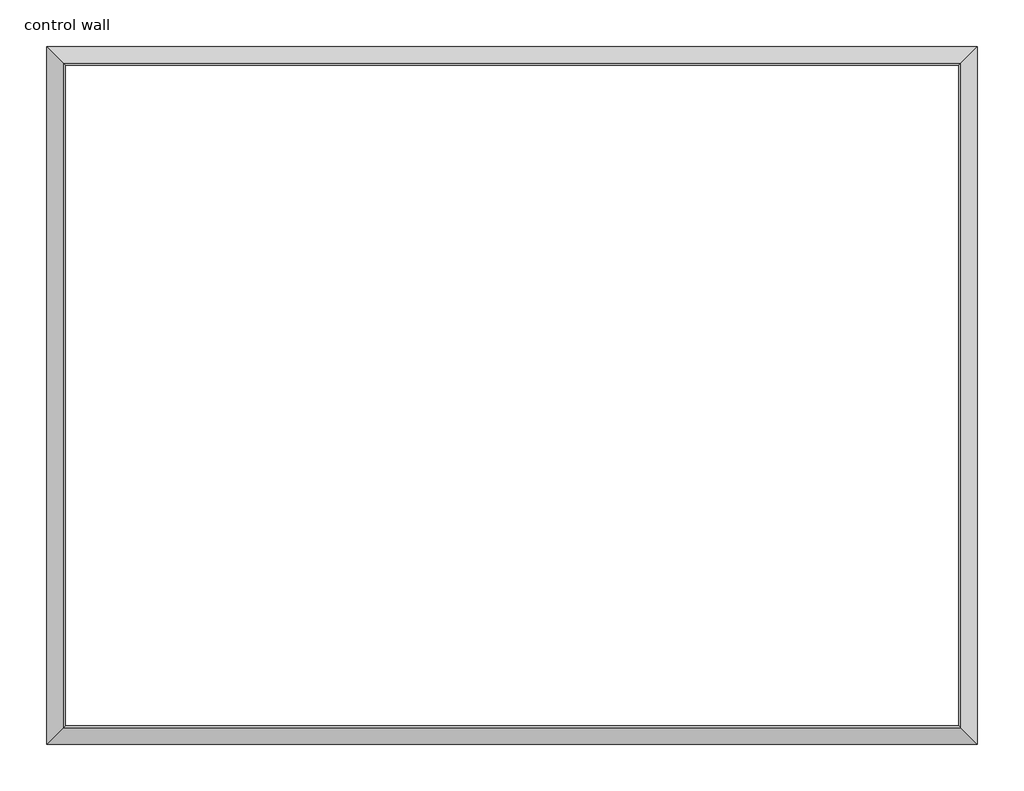
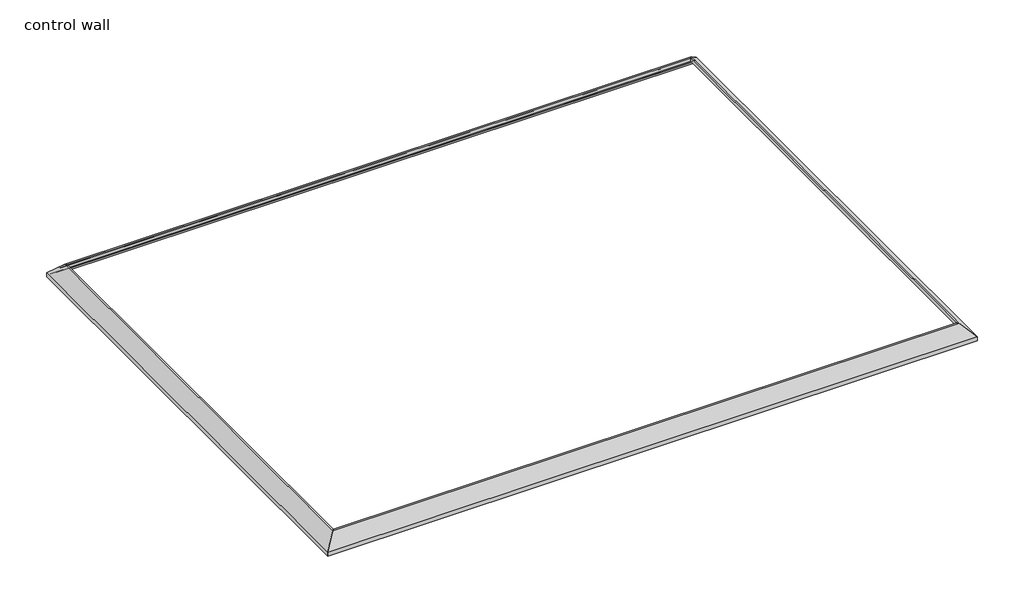
# One storey: 4 proxies.
"""IFC4 building model written with IfcOpenShell, lengths in millimetres."""

import ifcopenshell
import ifcopenshell.guid

model = None  # the IFC model being written
_history = None  # IfcOwnerHistory: only IFC2X3 demands one
_inside = {}  # id of a spatial element -> (the spatial element, [elements in it])
_under = {}  # id of a project, library or spatial element -> (it, [spatial elements below it])
_declared = {}  # id of a project -> (the project, [libraries it declares])
_typed = {}  # id of a type object -> (the type object, [elements of that type])
_made_of = {}  # id of a material, layer set ... -> (it, [elements and type objects made of it])


def new_model(schema):
    """Start an empty IFC model of exactly this schema.

    Asked for "IFC4X3", IfcOpenShell would pick the latest addendum, in which some entities
    have other attributes; the version numbers below select the first issue.
    IFC2X3 requires an IfcOwnerHistory on every rooted entity: one is made here for all.
    """
    global model, _history
    if schema == "IFC4X3":
        model = ifcopenshell.file(schema_version=(4, 3, 0, 0))
    else:
        model = ifcopenshell.file(schema=schema)
    _inside.clear()
    _under.clear()
    _declared.clear()
    _typed.clear()
    _made_of.clear()
    _history = None
    if model.schema == "IFC2X3":
        org = make("IfcOrganization", Name="unknown")
        user = make(
            "IfcPersonAndOrganization",
            ThePerson=make("IfcPerson", FamilyName="unknown"),
            TheOrganization=org,
        )
        app = make(
            "IfcApplication",
            ApplicationDeveloper=org,
            Version="unknown",
            ApplicationFullName="unknown",
            ApplicationIdentifier="unknown",
        )
        _history = make(
            "IfcOwnerHistory",
            OwningUser=user,
            OwningApplication=app,
            ChangeAction="ADDED",
            CreationDate=0,
        )
    return model


def make(cls, **values):
    """One entity of the class cls with the attributes given. An attribute that is None is left unset."""
    return model.create_entity(
        cls, **{name: value for name, value in values.items() if value is not None}
    )


def rooted(cls, **values):
    """An entity with a GlobalId (a new one), such as an element, a storey or a relation."""
    return make(cls, GlobalId=ifcopenshell.guid.new(), OwnerHistory=_history, **values)


def si_unit(unit_type, name, prefix=None):
    """IfcSIUnit, for example si_unit("LENGTHUNIT", "METRE", prefix="MILLI")."""
    return make("IfcSIUnit", UnitType=unit_type, Prefix=prefix, Name=name)


def assignment(units):
    """IfcUnitAssignment: the units of a project."""
    return None if units is None else make("IfcUnitAssignment", Units=units)


def point(xyz):
    """IfcCartesianPoint."""
    return None if xyz is None else make("IfcCartesianPoint", Coordinates=xyz)


def direction(xyz):
    """IfcDirection."""
    return None if xyz is None else make("IfcDirection", DirectionRatios=xyz)


def frame(location, z_axis=None, x_axis=None):
    """IfcAxis2Placement3D, a coordinate frame: its origin and axes. An axis left out is left unset."""
    return make(
        "IfcAxis2Placement3D",
        Location=point(location),
        Axis=direction(z_axis),
        RefDirection=direction(x_axis),
    )


def origin():
    """The frame at (0, 0, 0) with its axes left unset."""
    return frame((0.0, 0.0, 0.0))


def place(relative_to, where):
    """IfcLocalPlacement: puts the frame where relative to a parent placement (None: the world)."""
    return make(
        "IfcLocalPlacement", PlacementRelTo=relative_to, RelativePlacement=where
    )


def context(
    kind, dimensions, precision=None, world=None, true_north=None, identifier=None
):
    """IfcGeometricRepresentationContext, for example the 3D "Model" context."""
    return make(
        "IfcGeometricRepresentationContext",
        ContextIdentifier=identifier,
        ContextType=kind,
        CoordinateSpaceDimension=dimensions,
        Precision=precision,
        WorldCoordinateSystem=world,
        TrueNorth=true_north,
    )


def project(units=None, contexts=None):
    """IfcProject with its units and contexts."""
    return rooted(
        "IfcProject",
        Name="project",
        RepresentationContexts=contexts,
        UnitsInContext=assignment(units),
    )


def spatial(cls, under=None, at=None, **own):
    """A site, building, storey or space (cls), placed at a placement, below another one or the project."""
    s = rooted(cls, ObjectPlacement=at, **own)
    if under is not None:
        _under.setdefault(under.id(), (under, []))[1].append(s)
    return s


def polyline(points):
    """IfcPolyline through the points."""
    return make("IfcPolyline", Points=[point(p) for p in points])


def ellipse_curve(where, semi_axis1, semi_axis2):
    """IfcEllipse in the frame where."""
    return make(
        "IfcEllipse", Position=where, SemiAxis1=semi_axis1, SemiAxis2=semi_axis2
    )


def shape(context_of_items, identifier, shape_type, items):
    """IfcShapeRepresentation: the items that make up one representation, for example the "Body"."""
    return make(
        "IfcShapeRepresentation",
        ContextOfItems=context_of_items,
        RepresentationIdentifier=identifier,
        RepresentationType=shape_type,
        Items=items,
    )


def made_of(thing, what):
    """Note that an element or type object is made of a material, layer set ...; save() writes the relation."""
    if what is not None:
        _made_of.setdefault(what.id(), (what, []))[1].append(thing)
    return thing


def element(
    cls,
    number,
    at=None,
    inside=None,
    cuts=None,
    type_object=None,
    material=None,
    context=None,
    identifier="Body",
    shape_type=None,
    held_by="IfcProductDefinitionShape",
    body=None,
    shapes=None,
    **own,
):
    """One element of the class cls, such as IfcWall. Its Tag is "e" and its number.

    at: its placement. inside: the storey or other place that contains it. cuts: it is an
    opening in that element (IfcRelVoidsElement). A single representation is given by context,
    identifier, shape_type and body (its items); several are given by shapes. held_by: the class
    of the entity that holds the representations. save() writes the other relations.
    """
    e = rooted(cls, Tag="e%d" % number, ObjectPlacement=at, **own)
    if body is not None:
        shapes = [shape(context, identifier, shape_type, body)]
    if shapes is not None:
        e.Representation = make(held_by, Representations=shapes)
    if inside is not None:
        _inside.setdefault(inside.id(), (inside, []))[1].append(e)
    if cuts is not None:
        rooted(
            "IfcRelVoidsElement", RelatingBuildingElement=cuts, RelatedOpeningElement=e
        )
    if type_object is not None:
        _typed.setdefault(type_object.id(), (type_object, []))[1].append(e)
    return made_of(e, material)


def aggregate(whole, parts):
    """IfcRelAggregates: a whole, such as a stair, and the parts it consists of."""
    return rooted("IfcRelAggregates", RelatingObject=whole, RelatedObjects=parts)


def save(model, path):
    """Write the relations noted so far, then the file.

    IfcRelAggregates (storeys below a building ...), IfcRelContainedInSpatialStructure (elements
    in a storey), IfcRelDefinesByType, IfcRelAssociatesMaterial and IfcRelDeclares: one each for
    every whole, place, type object, material and project.
    """
    for whole, parts in _under.values():
        aggregate(whole, parts)
    for where, things in _inside.values():
        rooted(
            "IfcRelContainedInSpatialStructure",
            RelatedElements=things,
            RelatingStructure=where,
        )
    for kind, things in _typed.values():
        rooted("IfcRelDefinesByType", RelatedObjects=things, RelatingType=kind)
    for what, things in _made_of.values():
        rooted("IfcRelAssociatesMaterial", RelatedObjects=things, RelatingMaterial=what)
    for by, libraries in _declared.values():
        rooted("IfcRelDeclares", RelatingContext=by, RelatedDefinitions=libraries)
    model.write(path)


def plane_surface(at):
    """IfcPlane: the flat surface through the origin of the frame at, square to its z axis."""
    return make("IfcPlane", Position=at)


def cylinder_surface(at, radius):
    """IfcCylindricalSurface: all points at the distance radius from the z axis of the frame at."""
    return make("IfcCylindricalSurface", Position=at, Radius=radius)


def revolved_surface(curve, axis_point, axis_direction):
    """IfcSurfaceOfRevolution: the curve turned about the line through axis_point along axis_direction."""
    return make(
        "IfcSurfaceOfRevolution",
        SweptCurve=make("IfcArbitraryOpenProfileDef", ProfileType="CURVE", Curve=curve),
        AxisPosition=make("IfcAxis1Placement", Location=point(axis_point), Axis=direction(axis_direction)),
    )


def advanced_brep(points, edges, surfaces, faces):
    """IfcAdvancedBrep: a solid bounded by faces that lie on surfaces and meet in shared edges.

    An edge is (start, end): straight between two places in points (the first is 0);
    or (start, end, curve); or (start, end, curve, False) where it runs against its curve.
    A face is (place in surfaces, loops), or (place, loops, False) where it looks against
    its surface's normal. A loop lists edges by number (the first is 1), with a minus sign
    where the edge is run from its end to its start. The first loop is the outer one.
    """
    corners = [point(p) for p in points]
    vertices = [make("IfcVertexPoint", VertexGeometry=c) for c in corners]
    made = []
    for start, end, *more in edges:
        made.append(
            make(
                "IfcEdgeCurve",
                EdgeStart=vertices[start],
                EdgeEnd=vertices[end],
                EdgeGeometry=more[0] if more else make("IfcPolyline", Points=[corners[start], corners[end]]),
                SameSense=more[1] if len(more) > 1 else True,
            )
        )
    hull = []
    for where, loops, *sense in faces:
        bounds = []
        for j, loop in enumerate(loops):
            ring = [make("IfcOrientedEdge", EdgeElement=made[abs(k) - 1], Orientation=k > 0) for k in loop]
            bounds.append(
                make(
                    "IfcFaceOuterBound" if j == 0 else "IfcFaceBound",
                    Bound=make("IfcEdgeLoop", EdgeList=ring),
                    Orientation=True,
                )
            )
        hull.append(make("IfcAdvancedFace", Bounds=bounds, FaceSurface=surfaces[where], SameSense=sense[0] if sense else True))
    return make("IfcAdvancedBrep", Outer=make("IfcClosedShell", CfsFaces=hull))


model = new_model("IFC4")

# Units and contexts
model_context = context("Model", 3, world=origin())
ifc_project = project(units=[si_unit("LENGTHUNIT", "METRE", prefix="MILLI")], contexts=[model_context])

# Site, building, storey
site = spatial("IfcSite", under=ifc_project)
building = spatial("IfcBuilding", under=site)
storey = spatial("IfcBuildingStorey", under=building, Name="control wall", Elevation=2133.6)

# Proxies
placement = place(None, origin())
element("IfcBuildingElementProxy", 1, Name="Wall Sweeps", at=placement, inside=storey, context=model_context, shape_type="AdvancedBrep", body=[
    advanced_brep(
    [(30835.1284839, -21164.0946785, 2678.1793892), (30835.1284839, -21164.0946785, 2654.3), (30826.1482278, -21173.0749346, 2654.3), (30826.1482278, -21173.0749346, 2663.2802561), (30812.6778436, -21186.5453188, 2676.7506403), (30812.6778436, -21186.5453188, 2683.1006403), (30792.1531637, -21207.0699987, 2703.6253202), (30771.6284839, -21227.5946785, 2724.15), (30762.0051751, -21237.2179873, 2724.15), (30762.0051751, -21237.2179873, 2743.2), (30770.1078731, -21229.1152893, 2743.2), (30835.1284839, -23907.2946785, 2678.1793892), (30770.1078731, -23842.2740677, 2743.2), (30762.0051751, -23834.1713697, 2743.2), (30762.0051751, -23834.1713697, 2724.15), (30771.6284839, -23843.7946785, 2724.15), (30792.1531637, -23864.3193584, 2703.6253202), (30812.6778436, -23884.8440382, 2683.1006403), (30812.6778436, -23884.8440382, 2676.7506403), (30826.1482278, -23898.3144224, 2663.2802561), (30826.1482278, -23898.3144224, 2654.3), (30835.1284839, -23907.2946785, 2654.3)],
    [
        (0, 1),
        (1, 2),
        (2, 3),
        (3, 4, ellipse_curve(frame((30812.6778436, -21186.5453188, 2663.2802561), z_axis=(0.7071067811865476, -0.7071067811865476, 0.0), x_axis=(-0.7071067811865476, -0.7071067811865474, 0.0)), 19.05, 13.4703842)),
        (4, 5),
        (5, 6, ellipse_curve(frame((30812.6778436, -21186.5453188, 2703.6253202), z_axis=(-0.7071067811865476, 0.7071067811865476, 0.0), x_axis=(0.7071067811865476, 0.7071067811865474, 0.0)), 29.0262806, 20.5246798)),
        (6, 7, ellipse_curve(frame((30771.6284839, -21227.5946785, 2703.6253202), z_axis=(0.7071067811865476, -0.7071067811865476, 0.0), x_axis=(-0.7071067811865476, -0.7071067811865474, 0.0)), 29.0262806, 20.5246798)),
        (7, 8),
        (8, 9),
        (9, 10),
        (10, 0),
        (11, 12),
        (12, 13),
        (13, 14),
        (14, 15),
        (15, 16, ellipse_curve(frame((30771.6284839, -23843.7946785, 2703.6253202), z_axis=(0.7071067811865476, 0.7071067811865476, 0.0), x_axis=(0.7071067811865476, -0.7071067811865474, 0.0)), 29.0262806, 20.5246798)),
        (16, 17, ellipse_curve(frame((30812.6778436, -23884.8440382, 2703.6253202), z_axis=(-0.7071067811865476, -0.7071067811865476, 0.0), x_axis=(-0.7071067811865476, 0.7071067811865474, 0.0)), 29.0262806, 20.5246798)),
        (17, 18),
        (18, 19, ellipse_curve(frame((30812.6778436, -23884.8440382, 2663.2802561), z_axis=(0.7071067811865476, 0.7071067811865476, 0.0), x_axis=(0.7071067811865476, -0.7071067811865474, 0.0)), 19.05, 13.4703842)),
        (19, 20),
        (20, 21),
        (21, 11),
        (0, 11),
        (21, 1),
        (20, 2),
        (19, 3),
        (18, 4),
        (17, 5),
        (16, 6),
        (15, 7),
        (14, 8),
        (13, 9),
        (12, 10),
    ],
    [
        plane_surface(frame((30835.1284839, -21164.0946785, 2959.1), z_axis=(-0.7071067811865476, 0.7071067811865476, 0.0), x_axis=(-0.7071067811865476, -0.7071067811865476, 0.0))),
        plane_surface(frame((30835.1284839, -23907.2946785, 2959.1), z_axis=(-0.7071067811865476, -0.7071067811865476, 0.0), x_axis=(-0.7071067811865476, 0.7071067811865476, 0.0))),
        plane_surface(frame((30835.1284839, -21164.0946785, 2678.1793892), z_axis=(1.0, 0.0, 0.0), x_axis=(0.0, -1.0, 0.0))),
        plane_surface(frame((30835.1284839, -21164.0946785, 2654.3), z_axis=(0.0, 0.0, -1.0), x_axis=(0.0, -1.0, 0.0))),
        plane_surface(frame((30826.1482278, -21173.0749346, 2654.3), z_axis=(-1.0, 0.0, 0.0), x_axis=(0.0, -1.0, 0.0))),
        revolved_surface(polyline([(30799.207459399997, -23898.3144224, 2663.2802561), (30799.207459399997, -21173.0749346, 2663.2802561)]), (30812.6778436, -21164.0946785, 2663.2802561), (0.0, -1.0, 0.0)),
        plane_surface(frame((30812.6778436, -21186.5453188, 2676.7506403), z_axis=(-1.0, 0.0, 0.0), x_axis=(0.0, -1.0, 0.0))),
        cylinder_surface(frame((30812.6778436, -21164.0946785, 2703.6253202), z_axis=(0.0, 1.0, 0.0), x_axis=(-1.0, 0.0, 0.0)), 20.5246798),
        revolved_surface(polyline([(30751.1038041, -23864.3193584, 2703.6253202), (30751.1038041, -21207.06999865512, 2703.6253202)]), (30771.6284839, -21164.0946785, 2703.6253202), (0.0, -1.0, 0.0)),
        plane_surface(frame((30771.6284839, -21227.5946785, 2724.15), z_axis=(0.0, 0.0, -1.0), x_axis=(0.0, -1.0, 0.0))),
        plane_surface(frame((30762.0051751, -21237.2179873, 2724.15), z_axis=(-1.0, 0.0, 0.0), x_axis=(0.0, -1.0, 0.0))),
        plane_surface(frame((30762.0051751, -21237.2179873, 2743.2), z_axis=(0.0, 0.0, 1.0), x_axis=(0.0, -1.0, 0.0))),
        plane_surface(frame((30770.1078731, -21229.1152893, 2743.2), z_axis=(0.707106781186547, 0.0, 0.707106781186548), x_axis=(0.0, -1.0, 0.0))),
    ],
    [
        (0, [[1, 2, 3, 4, 5, 6, 7, 8, 9, 10, 11]]),
        (1, [[12, 13, 14, 15, 16, 17, 18, 19, 20, 21, 22]]),
        (2, [[-1, 23, -22, 24]]),
        (3, [[-2, -24, -21, 25]]),
        (4, [[-3, -25, -20, 26]]),
        (5, [[-4, -26, -19, 27]]),
        (6, [[-5, -27, -18, 28]]),
        (7, [[-6, -28, -17, 29]]),
        (8, [[-7, -29, -16, 30]]),
        (9, [[-8, -30, -15, 31]]),
        (10, [[-9, -31, -14, 32]]),
        (11, [[-10, -32, -13, 33]]),
        (12, [[-11, -33, -12, -23]]),
    ],
),
])
element("IfcBuildingElementProxy", 2, Name="Wall Sweeps", at=placement, inside=storey, context=model_context, shape_type="AdvancedBrep", body=[
    advanced_brep(
    [(27177.5284839, -21164.0946785, 2678.1793892), (27242.5490947, -21229.1152893, 2743.2), (27250.6517927, -21237.2179873, 2743.2), (27250.6517927, -21237.2179873, 2724.15), (27241.0284839, -21227.5946785, 2724.15), (27220.503804, -21207.0699987, 2703.6253202), (27199.9791242, -21186.5453188, 2683.1006403), (27199.9791242, -21186.5453188, 2676.7506403), (27186.50874, -21173.0749346, 2663.2802561), (27186.50874, -21173.0749346, 2654.3), (27177.5284839, -21164.0946785, 2654.3), (27177.5284839, -23907.2946785, 2678.1793892), (27177.5284839, -23907.2946785, 2654.3), (27186.50874, -23898.3144224, 2654.3), (27186.50874, -23898.3144224, 2663.2802561), (27199.9791242, -23884.8440382, 2676.7506403), (27199.9791242, -23884.8440382, 2683.1006403), (27220.503804, -23864.3193584, 2703.6253202), (27241.0284839, -23843.7946785, 2724.15), (27250.6517927, -23834.1713697, 2724.15), (27250.6517927, -23834.1713697, 2743.2), (27242.5490947, -23842.2740677, 2743.2)],
    [
        (0, 1),
        (1, 2),
        (2, 3),
        (3, 4),
        (4, 5, ellipse_curve(frame((27241.0284839, -21227.5946785, 2703.6253202), z_axis=(-0.7071067811865476, -0.7071067811865476, 0.0), x_axis=(0.7071067811865476, -0.7071067811865474, 0.0)), 29.0262806, 20.5246798)),
        (5, 6, ellipse_curve(frame((27199.9791242, -21186.5453188, 2703.6253202), z_axis=(0.7071067811865476, 0.7071067811865476, 0.0), x_axis=(-0.7071067811865476, 0.7071067811865474, 0.0)), 29.0262806, 20.5246798)),
        (6, 7),
        (7, 8, ellipse_curve(frame((27199.9791242, -21186.5453188, 2663.2802561), z_axis=(-0.7071067811865476, -0.7071067811865476, 0.0), x_axis=(0.7071067811865476, -0.7071067811865474, 0.0)), 19.05, 13.4703842)),
        (8, 9),
        (9, 10),
        (10, 0),
        (11, 12),
        (12, 13),
        (13, 14),
        (14, 15, ellipse_curve(frame((27199.9791242, -23884.8440382, 2663.2802561), z_axis=(-0.7071067811865476, 0.7071067811865476, 0.0), x_axis=(-0.7071067811865476, -0.7071067811865474, 0.0)), 19.05, 13.4703842)),
        (15, 16),
        (16, 17, ellipse_curve(frame((27199.9791242, -23884.8440382, 2703.6253202), z_axis=(0.7071067811865476, -0.7071067811865476, 0.0), x_axis=(0.7071067811865476, 0.7071067811865474, 0.0)), 29.0262806, 20.5246798)),
        (17, 18, ellipse_curve(frame((27241.0284839, -23843.7946785, 2703.6253202), z_axis=(-0.7071067811865476, 0.7071067811865476, 0.0), x_axis=(-0.7071067811865476, -0.7071067811865474, 0.0)), 29.0262806, 20.5246798)),
        (18, 19),
        (19, 20),
        (20, 21),
        (21, 11),
        (10, 12),
        (11, 0),
        (9, 13),
        (8, 14),
        (7, 15),
        (6, 16),
        (5, 17),
        (4, 18),
        (3, 19),
        (2, 20),
        (1, 21),
    ],
    [
        plane_surface(frame((27177.5284839, -21164.0946785, 2349.5), z_axis=(0.7071067811865476, 0.7071067811865476, 0.0), x_axis=(0.7071067811865476, -0.7071067811865476, 0.0))),
        plane_surface(frame((27177.5284839, -23907.2946785, 2349.5), z_axis=(0.7071067811865476, -0.7071067811865476, 0.0), x_axis=(0.7071067811865476, 0.7071067811865476, 0.0))),
        plane_surface(frame((27177.5284839, -21164.0946785, 2654.3), z_axis=(-1.0, 0.0, 0.0), x_axis=(0.0, -1.0, 0.0))),
        plane_surface(frame((27186.50874, -21173.0749346, 2654.3), z_axis=(0.0, 0.0, -1.0), x_axis=(0.0, -1.0, 0.0))),
        plane_surface(frame((27186.50874, -21173.0749346, 2663.2802561), z_axis=(1.0, 0.0, 0.0), x_axis=(0.0, -1.0, 0.0))),
        revolved_surface(polyline([(27213.4495084, -23898.3144224, 2663.2802561), (27213.4495084, -21173.0749346, 2663.2802561)]), (27199.9791242, -21164.0946785, 2663.2802561), (0.0, -1.0, 0.0)),
        plane_surface(frame((27199.9791242, -21186.5453188, 2683.1006403), z_axis=(1.0, 0.0, 0.0), x_axis=(0.0, -1.0, 0.0))),
        cylinder_surface(frame((27199.9791242, -21164.0946785, 2703.6253202), z_axis=(0.0, 1.0, 0.0), x_axis=(1.0, 0.0, 0.0)), 20.5246798),
        revolved_surface(polyline([(27261.553163700002, -23864.3193584, 2703.6253202), (27261.553163700002, -21207.06999865512, 2703.6253202)]), (27241.0284839, -21164.0946785, 2703.6253202), (0.0, -1.0, 0.0)),
        plane_surface(frame((27250.6517927, -21237.2179873, 2724.15), z_axis=(0.0, 0.0, -1.0), x_axis=(0.0, -1.0, 0.0))),
        plane_surface(frame((27250.6517927, -21237.2179873, 2743.2), z_axis=(1.0, 0.0, 0.0), x_axis=(0.0, -1.0, 0.0))),
        plane_surface(frame((27242.5490947, -21229.1152893, 2743.2), z_axis=(0.0, 0.0, 1.0), x_axis=(0.0, -1.0, 0.0))),
        plane_surface(frame((27177.5284839, -21164.0946785, 2678.1793892), z_axis=(-0.707106781186547, 0.0, 0.707106781186548), x_axis=(0.0, -1.0, 0.0))),
    ],
    [
        (0, [[1, 2, 3, 4, 5, 6, 7, 8, 9, 10, 11]]),
        (1, [[12, 13, 14, 15, 16, 17, 18, 19, 20, 21, 22]]),
        (2, [[-11, 23, -12, 24]]),
        (3, [[-10, 25, -13, -23]]),
        (4, [[-9, 26, -14, -25]]),
        (5, [[-8, 27, -15, -26]]),
        (6, [[-7, 28, -16, -27]]),
        (7, [[-6, 29, -17, -28]]),
        (8, [[-5, 30, -18, -29]]),
        (9, [[-4, 31, -19, -30]]),
        (10, [[-3, 32, -20, -31]]),
        (11, [[-2, 33, -21, -32]]),
        (12, [[-1, -24, -22, -33]]),
    ],
),
])
element("IfcBuildingElementProxy", 3, Name="Wall Sweeps", at=placement, inside=storey, context=model_context, shape_type="AdvancedBrep", body=[
    advanced_brep(
    [(27177.5284839, -21164.0946785, 2678.1793892), (27177.5284839, -21164.0946785, 2654.3), (27186.50874, -21173.0749346, 2654.3), (27186.50874, -21173.0749346, 2663.2802561), (27199.9791242, -21186.5453188, 2676.7506403), (27199.9791242, -21186.5453188, 2683.1006403), (27220.503804, -21207.0699987, 2703.6253202), (27241.0284839, -21227.5946785, 2724.15), (27250.6517927, -21237.2179873, 2724.15), (27250.6517927, -21237.2179873, 2743.2), (27242.5490947, -21229.1152893, 2743.2), (30835.1284839, -21164.0946785, 2678.1793892), (30770.1078731, -21229.1152893, 2743.2), (30762.0051751, -21237.2179873, 2743.2), (30762.0051751, -21237.2179873, 2724.15), (30771.6284839, -21227.5946785, 2724.15), (30792.1531637, -21207.0699987, 2703.6253202), (30812.6778436, -21186.5453188, 2683.1006403), (30812.6778436, -21186.5453188, 2676.7506403), (30826.1482278, -21173.0749346, 2663.2802561), (30826.1482278, -21173.0749346, 2654.3), (30835.1284839, -21164.0946785, 2654.3)],
    [
        (0, 1),
        (1, 2),
        (2, 3),
        (3, 4, ellipse_curve(frame((27199.9791242, -21186.5453188, 2663.2802561), z_axis=(0.7071067811865476, 0.7071067811865476, 0.0), x_axis=(0.7071067811865474, -0.7071067811865476, 0.0)), 19.05, 13.4703842)),
        (4, 5),
        (5, 6, ellipse_curve(frame((27199.9791242, -21186.5453188, 2703.6253202), z_axis=(-0.7071067811865476, -0.7071067811865476, 0.0), x_axis=(-0.7071067811865474, 0.7071067811865476, 0.0)), 29.0262806, 20.5246798)),
        (6, 7, ellipse_curve(frame((27241.0284839, -21227.5946785, 2703.6253202), z_axis=(0.7071067811865476, 0.7071067811865476, 0.0), x_axis=(0.7071067811865474, -0.7071067811865476, 0.0)), 29.0262806, 20.5246798)),
        (7, 8),
        (8, 9),
        (9, 10),
        (10, 0),
        (11, 12),
        (12, 13),
        (13, 14),
        (14, 15),
        (15, 16, ellipse_curve(frame((30771.6284839, -21227.5946785, 2703.6253202), z_axis=(-0.7071067811865476, 0.7071067811865476, 0.0), x_axis=(0.7071067811865474, 0.7071067811865476, 0.0)), 29.0262806, 20.5246798)),
        (16, 17, ellipse_curve(frame((30812.6778436, -21186.5453188, 2703.6253202), z_axis=(0.7071067811865476, -0.7071067811865476, 0.0), x_axis=(-0.7071067811865474, -0.7071067811865476, 0.0)), 29.0262806, 20.5246798)),
        (17, 18),
        (18, 19, ellipse_curve(frame((30812.6778436, -21186.5453188, 2663.2802561), z_axis=(-0.7071067811865476, 0.7071067811865476, 0.0), x_axis=(0.7071067811865474, 0.7071067811865476, 0.0)), 19.05, 13.4703842)),
        (19, 20),
        (20, 21),
        (21, 11),
        (0, 11),
        (21, 1),
        (20, 2),
        (19, 3),
        (18, 4),
        (17, 5),
        (16, 6),
        (15, 7),
        (14, 8),
        (13, 9),
        (12, 10),
    ],
    [
        plane_surface(frame((27177.5284839, -21164.0946785, 2959.1), z_axis=(-0.7071067811865476, -0.7071067811865476, 0.0), x_axis=(0.7071067811865476, -0.7071067811865476, 0.0))),
        plane_surface(frame((30835.1284839, -21164.0946785, 2959.1), z_axis=(0.7071067811865476, -0.7071067811865476, 0.0), x_axis=(-0.7071067811865476, -0.7071067811865476, 0.0))),
        plane_surface(frame((27177.5284839, -21164.0946785, 2678.1793892), z_axis=(0.0, 1.0, 0.0), x_axis=(1.0, 0.0, 0.0))),
        plane_surface(frame((27177.5284839, -21164.0946785, 2654.3), z_axis=(0.0, 0.0, -1.0), x_axis=(1.0, 0.0, 0.0))),
        plane_surface(frame((27186.50874, -21173.0749346, 2654.3), z_axis=(0.0, -1.0, 0.0), x_axis=(1.0, 0.0, 0.0))),
        revolved_surface(polyline([(30826.1482278, -21200.015703, 2663.2802561), (27186.50874, -21200.015703, 2663.2802561)]), (27177.5284839, -21186.5453188, 2663.2802561), (1.0, 0.0, 0.0)),
        plane_surface(frame((27199.9791242, -21186.5453188, 2676.7506403), z_axis=(0.0, -1.0, 0.0), x_axis=(1.0, 0.0, 0.0))),
        cylinder_surface(frame((27177.5284839, -21186.5453188, 2703.6253202), z_axis=(-1.0, 0.0, 0.0), x_axis=(0.0, -1.0, 0.0)), 20.5246798),
        revolved_surface(polyline([(30792.153163744882, -21248.119358300002, 2703.6253202), (27220.503804, -21248.119358300002, 2703.6253202)]), (27177.5284839, -21227.5946785, 2703.6253202), (1.0, 0.0, 0.0)),
        plane_surface(frame((27241.0284839, -21227.5946785, 2724.15), z_axis=(0.0, 0.0, -1.0), x_axis=(1.0, 0.0, 0.0))),
        plane_surface(frame((27250.6517927, -21237.2179873, 2724.15), z_axis=(0.0, -1.0, 0.0), x_axis=(1.0, 0.0, 0.0))),
        plane_surface(frame((27250.6517927, -21237.2179873, 2743.2), z_axis=(0.0, 0.0, 1.0), x_axis=(1.0, 0.0, 0.0))),
        plane_surface(frame((27242.5490947, -21229.1152893, 2743.2), z_axis=(0.0, 0.707106781186547, 0.707106781186548), x_axis=(1.0, 0.0, 0.0))),
    ],
    [
        (0, [[1, 2, 3, 4, 5, 6, 7, 8, 9, 10, 11]]),
        (1, [[12, 13, 14, 15, 16, 17, 18, 19, 20, 21, 22]]),
        (2, [[-1, 23, -22, 24]]),
        (3, [[-2, -24, -21, 25]]),
        (4, [[-3, -25, -20, 26]]),
        (5, [[-4, -26, -19, 27]]),
        (6, [[-5, -27, -18, 28]]),
        (7, [[-6, -28, -17, 29]]),
        (8, [[-7, -29, -16, 30]]),
        (9, [[-8, -30, -15, 31]]),
        (10, [[-9, -31, -14, 32]]),
        (11, [[-10, -32, -13, 33]]),
        (12, [[-11, -33, -12, -23]]),
    ],
),
])
element("IfcBuildingElementProxy", 4, Name="Wall Sweeps", at=placement, inside=storey, context=model_context, shape_type="AdvancedBrep", body=[
    advanced_brep(
    [(27177.5284839, -23907.2946785, 2678.1793892), (27242.5490947, -23842.2740677, 2743.2), (27250.6517927, -23834.1713697, 2743.2), (27250.6517927, -23834.1713697, 2724.15), (27241.0284839, -23843.7946785, 2724.15), (27220.503804, -23864.3193584, 2703.6253202), (27199.9791242, -23884.8440382, 2683.1006403), (27199.9791242, -23884.8440382, 2676.7506403), (27186.50874, -23898.3144224, 2663.2802561), (27186.50874, -23898.3144224, 2654.3), (27177.5284839, -23907.2946785, 2654.3), (30835.1284839, -23907.2946785, 2678.1793892), (30835.1284839, -23907.2946785, 2654.3), (30826.1482278, -23898.3144224, 2654.3), (30826.1482278, -23898.3144224, 2663.2802561), (30812.6778436, -23884.8440382, 2676.7506403), (30812.6778436, -23884.8440382, 2683.1006403), (30792.1531637, -23864.3193584, 2703.6253202), (30771.6284839, -23843.7946785, 2724.15), (30762.0051751, -23834.1713697, 2724.15), (30762.0051751, -23834.1713697, 2743.2), (30770.1078731, -23842.2740677, 2743.2)],
    [
        (0, 1),
        (1, 2),
        (2, 3),
        (3, 4),
        (4, 5, ellipse_curve(frame((27241.0284839, -23843.7946785, 2703.6253202), z_axis=(0.7071067811865476, -0.7071067811865476, 0.0), x_axis=(0.7071067811865475, 0.7071067811865475, 0.0)), 29.0262806, 20.5246798)),
        (5, 6, ellipse_curve(frame((27199.9791242, -23884.8440382, 2703.6253202), z_axis=(-0.7071067811865476, 0.7071067811865476, 0.0), x_axis=(-0.7071067811865475, -0.7071067811865475, 0.0)), 29.0262806, 20.5246798)),
        (6, 7),
        (7, 8, ellipse_curve(frame((27199.9791242, -23884.8440382, 2663.2802561), z_axis=(0.7071067811865476, -0.7071067811865476, 0.0), x_axis=(0.7071067811865475, 0.7071067811865475, 0.0)), 19.05, 13.4703842)),
        (8, 9),
        (9, 10),
        (10, 0),
        (11, 12),
        (12, 13),
        (13, 14),
        (14, 15, ellipse_curve(frame((30812.6778436, -23884.8440382, 2663.2802561), z_axis=(-0.7071067811865476, -0.7071067811865476, 0.0), x_axis=(0.7071067811865474, -0.7071067811865477, 0.0)), 19.05, 13.4703842)),
        (15, 16),
        (16, 17, ellipse_curve(frame((30812.6778436, -23884.8440382, 2703.6253202), z_axis=(0.7071067811865476, 0.7071067811865476, 0.0), x_axis=(-0.7071067811865474, 0.7071067811865477, 0.0)), 29.0262806, 20.5246798)),
        (17, 18, ellipse_curve(frame((30771.6284839, -23843.7946785, 2703.6253202), z_axis=(-0.7071067811865476, -0.7071067811865476, 0.0), x_axis=(0.7071067811865474, -0.7071067811865477, 0.0)), 29.0262806, 20.5246798)),
        (18, 19),
        (19, 20),
        (20, 21),
        (21, 11),
        (10, 12),
        (11, 0),
        (9, 13),
        (8, 14),
        (7, 15),
        (6, 16),
        (5, 17),
        (4, 18),
        (3, 19),
        (2, 20),
        (1, 21),
    ],
    [
        plane_surface(frame((27177.5284839, -23907.2946785, 2349.5), z_axis=(-0.7071067811865476, 0.7071067811865476, 0.0), x_axis=(0.7071067811865476, 0.7071067811865476, 0.0))),
        plane_surface(frame((30835.1284839, -23907.2946785, 2349.5), z_axis=(0.7071067811865476, 0.7071067811865476, 0.0), x_axis=(-0.7071067811865476, 0.7071067811865476, 0.0))),
        plane_surface(frame((27177.5284839, -23907.2946785, 2654.3), z_axis=(0.0, -1.0, 0.0), x_axis=(1.0, 0.0, 0.0))),
        plane_surface(frame((27186.50874, -23898.3144224, 2654.3), z_axis=(0.0, 0.0, -1.0), x_axis=(1.0, 0.0, 0.0))),
        plane_surface(frame((27186.50874, -23898.3144224, 2663.2802561), z_axis=(0.0, 1.0, 0.0), x_axis=(1.0, 0.0, 0.0))),
        revolved_surface(polyline([(30826.1482278, -23871.373654, 2663.2802561), (27186.50874, -23871.373654, 2663.2802561)]), (27177.5284839, -23884.8440382, 2663.2802561), (1.0, 0.0, 0.0)),
        plane_surface(frame((27199.9791242, -23884.8440382, 2683.1006403), z_axis=(0.0, 1.0, 0.0), x_axis=(1.0, 0.0, 0.0))),
        cylinder_surface(frame((27177.5284839, -23884.8440382, 2703.6253202), z_axis=(-1.0, 0.0, 0.0), x_axis=(0.0, 1.0, 0.0)), 20.5246798),
        revolved_surface(polyline([(30792.153163744882, -23823.269998699998, 2703.6253202), (27220.503804, -23823.269998699998, 2703.6253202)]), (27177.5284839, -23843.7946785, 2703.6253202), (1.0, 0.0, 0.0)),
        plane_surface(frame((27250.6517927, -23834.1713697, 2724.15), z_axis=(0.0, 0.0, -1.0), x_axis=(1.0, 0.0, 0.0))),
        plane_surface(frame((27250.6517927, -23834.1713697, 2743.2), z_axis=(0.0, 1.0, 0.0), x_axis=(1.0, 0.0, 0.0))),
        plane_surface(frame((27242.5490947, -23842.2740677, 2743.2), z_axis=(0.0, 0.0, 1.0), x_axis=(1.0, 0.0, 0.0))),
        plane_surface(frame((27177.5284839, -23907.2946785, 2678.1793892), z_axis=(0.0, -0.707106781186547, 0.707106781186548), x_axis=(1.0, 0.0, 0.0))),
    ],
    [
        (0, [[1, 2, 3, 4, 5, 6, 7, 8, 9, 10, 11]]),
        (1, [[12, 13, 14, 15, 16, 17, 18, 19, 20, 21, 22]]),
        (2, [[-11, 23, -12, 24]]),
        (3, [[-10, 25, -13, -23]]),
        (4, [[-9, 26, -14, -25]]),
        (5, [[-8, 27, -15, -26]]),
        (6, [[-7, 28, -16, -27]]),
        (7, [[-6, 29, -17, -28]]),
        (8, [[-5, 30, -18, -29]]),
        (9, [[-4, 31, -19, -30]]),
        (10, [[-3, 32, -20, -31]]),
        (11, [[-2, 33, -21, -32]]),
        (12, [[-1, -24, -22, -33]]),
    ],
),
])

save(model, "model.ifc")
